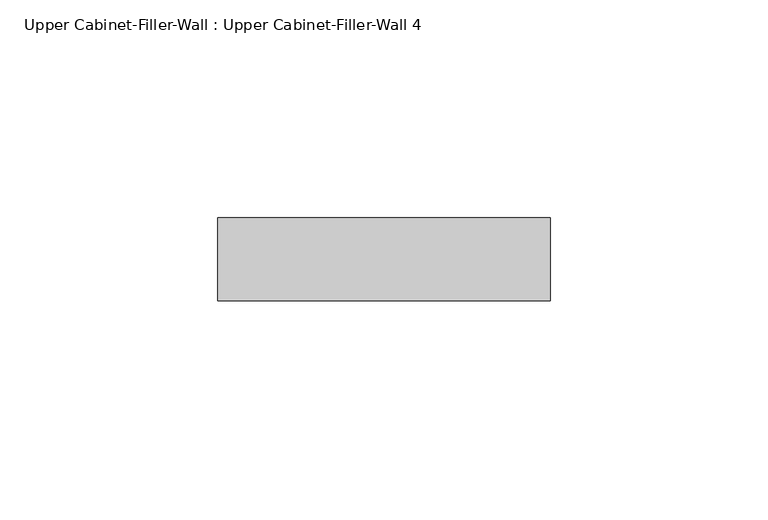
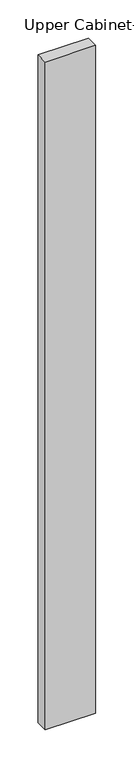
"""IFC4 building model written with IfcOpenShell, lengths in millimetres: furniture geometry, Upper Cabinet-Filler-Wall : Upper Cabinet-Filler-Wall 4."""

from ifc_helpers import new_model, si_unit, frame, origin, place, context, project, spatial, polyline, outline, extrude, source, transform, mapped, element, save


def upper_cabinet_filler_wall_upper_cabinet_filler_wall_4_097a2fc6(model_context):
    return source(origin(), model_context, "Body", "SweptSolid", [
        extrude(outline(polyline([(-8.3288372, 339.725), (-8.3288372, 358.775), (67.8711628, 358.775), (67.8711628, 339.725), (-8.3288372, 339.725)])), frame((0.0, 0.0, 1066.8), z_axis=(0.0, 0.0, 1.0), x_axis=(1.0, 0.0, 0.0)), (0.0, 0.0, 1.0), 1066.8),
    ])


if __name__ == "__main__":
    model = new_model("IFC4")
    model_context = context("Model", 3, world=origin())
    ifc_project = project(units=[si_unit("LENGTHUNIT", "METRE", prefix="MILLI")], contexts=[model_context])
    site = spatial("IfcSite", under=ifc_project)
    building = spatial("IfcBuilding", under=site)
    placement = place(None, origin())
    upper_cabinet_filler_wall_upper_cabinet_filler_wall_4_shape = upper_cabinet_filler_wall_upper_cabinet_filler_wall_4_097a2fc6(model_context)
    element("IfcFurniture", 1, ObjectType="Upper Cabinet-Filler-Wall : Upper Cabinet-Filler-Wall 4", at=placement, inside=building, context=model_context, shape_type="MappedRepresentation", body=[
        mapped(upper_cabinet_filler_wall_upper_cabinet_filler_wall_4_shape, transform((0.0, 0.0, 0.0), x_axis=(1.0, 0.0, 0.0), y_axis=(0.0, 1.0, 0.0), z_axis=(0.0, 0.0, 1.0))),
    ])
    save(model, "model.ifc")
